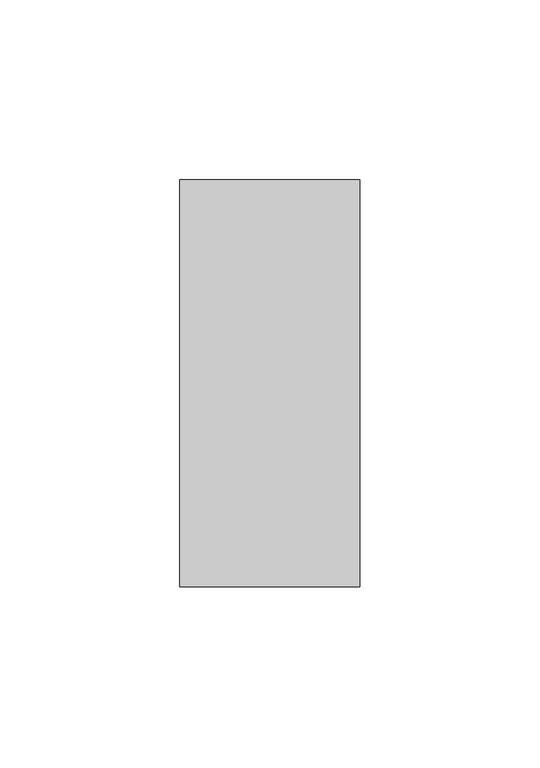
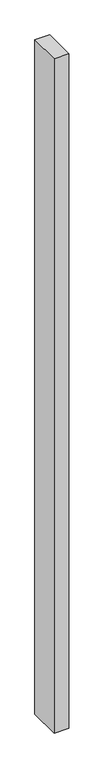
"""IFC4 building model written with IfcOpenShell, lengths in millimetres: member geometry."""

import ifcopenshell
import ifcopenshell.guid

model = None  # the IFC model being written
_history = None  # IfcOwnerHistory: only IFC2X3 demands one
_inside = {}  # id of a spatial element -> (the spatial element, [elements in it])
_under = {}  # id of a project, library or spatial element -> (it, [spatial elements below it])
_declared = {}  # id of a project -> (the project, [libraries it declares])
_typed = {}  # id of a type object -> (the type object, [elements of that type])
_made_of = {}  # id of a material, layer set ... -> (it, [elements and type objects made of it])


def new_model(schema):
    """Start an empty IFC model of exactly this schema.

    Asked for "IFC4X3", IfcOpenShell would pick the latest addendum, in which some entities
    have other attributes; the version numbers below select the first issue.
    IFC2X3 requires an IfcOwnerHistory on every rooted entity: one is made here for all.
    """
    global model, _history
    if schema == "IFC4X3":
        model = ifcopenshell.file(schema_version=(4, 3, 0, 0))
    else:
        model = ifcopenshell.file(schema=schema)
    _inside.clear()
    _under.clear()
    _declared.clear()
    _typed.clear()
    _made_of.clear()
    _history = None
    if model.schema == "IFC2X3":
        org = make("IfcOrganization", Name="unknown")
        user = make(
            "IfcPersonAndOrganization",
            ThePerson=make("IfcPerson", FamilyName="unknown"),
            TheOrganization=org,
        )
        app = make(
            "IfcApplication",
            ApplicationDeveloper=org,
            Version="unknown",
            ApplicationFullName="unknown",
            ApplicationIdentifier="unknown",
        )
        _history = make(
            "IfcOwnerHistory",
            OwningUser=user,
            OwningApplication=app,
            ChangeAction="ADDED",
            CreationDate=0,
        )
    return model


def make(cls, **values):
    """One entity of the class cls with the attributes given. An attribute that is None is left unset."""
    return model.create_entity(
        cls, **{name: value for name, value in values.items() if value is not None}
    )


def rooted(cls, **values):
    """An entity with a GlobalId (a new one), such as an element, a storey or a relation."""
    return make(cls, GlobalId=ifcopenshell.guid.new(), OwnerHistory=_history, **values)


def si_unit(unit_type, name, prefix=None):
    """IfcSIUnit, for example si_unit("LENGTHUNIT", "METRE", prefix="MILLI")."""
    return make("IfcSIUnit", UnitType=unit_type, Prefix=prefix, Name=name)


def assignment(units):
    """IfcUnitAssignment: the units of a project."""
    return None if units is None else make("IfcUnitAssignment", Units=units)


def point(xyz):
    """IfcCartesianPoint."""
    return None if xyz is None else make("IfcCartesianPoint", Coordinates=xyz)


def direction(xyz):
    """IfcDirection."""
    return None if xyz is None else make("IfcDirection", DirectionRatios=xyz)


def frame(location, z_axis=None, x_axis=None):
    """IfcAxis2Placement3D, a coordinate frame: its origin and axes. An axis left out is left unset."""
    return make(
        "IfcAxis2Placement3D",
        Location=point(location),
        Axis=direction(z_axis),
        RefDirection=direction(x_axis),
    )


def origin():
    """The frame at (0, 0, 0) with its axes left unset."""
    return frame((0.0, 0.0, 0.0))


def place(relative_to, where):
    """IfcLocalPlacement: puts the frame where relative to a parent placement (None: the world)."""
    return make(
        "IfcLocalPlacement", PlacementRelTo=relative_to, RelativePlacement=where
    )


def context(
    kind, dimensions, precision=None, world=None, true_north=None, identifier=None
):
    """IfcGeometricRepresentationContext, for example the 3D "Model" context."""
    return make(
        "IfcGeometricRepresentationContext",
        ContextIdentifier=identifier,
        ContextType=kind,
        CoordinateSpaceDimension=dimensions,
        Precision=precision,
        WorldCoordinateSystem=world,
        TrueNorth=true_north,
    )


def project(units=None, contexts=None):
    """IfcProject with its units and contexts."""
    return rooted(
        "IfcProject",
        Name="project",
        RepresentationContexts=contexts,
        UnitsInContext=assignment(units),
    )


def spatial(cls, under=None, at=None, **own):
    """A site, building, storey or space (cls), placed at a placement, below another one or the project."""
    s = rooted(cls, ObjectPlacement=at, **own)
    if under is not None:
        _under.setdefault(under.id(), (under, []))[1].append(s)
    return s


def polyline(points):
    """IfcPolyline through the points."""
    return make("IfcPolyline", Points=[point(p) for p in points])


def outline(outer, holes=None, kind="AREA"):
    """IfcArbitraryClosedProfileDef: a profile drawn as a closed curve; with holes, ...WithVoids."""
    if holes is None:
        return make("IfcArbitraryClosedProfileDef", ProfileType=kind, OuterCurve=outer)
    return make(
        "IfcArbitraryProfileDefWithVoids",
        ProfileType=kind,
        OuterCurve=outer,
        InnerCurves=holes,
    )


def extrude(swept, where, along, depth):
    """IfcExtrudedAreaSolid: the profile swept, set in the frame where, extruded along a direction by depth."""
    return make(
        "IfcExtrudedAreaSolid",
        SweptArea=swept,
        Position=where,
        ExtrudedDirection=direction(along),
        Depth=depth,
    )


def shape(context_of_items, identifier, shape_type, items):
    """IfcShapeRepresentation: the items that make up one representation, for example the "Body"."""
    return make(
        "IfcShapeRepresentation",
        ContextOfItems=context_of_items,
        RepresentationIdentifier=identifier,
        RepresentationType=shape_type,
        Items=items,
    )


def source(mapping_origin, context_of_items, identifier, shape_type, items):
    """IfcRepresentationMap: a shape defined once, which mapped items show again and again."""
    return make(
        "IfcRepresentationMap",
        MappingOrigin=mapping_origin,
        MappedRepresentation=shape(context_of_items, identifier, shape_type, items),
    )


def transform(
    local_origin,
    x_axis=None,
    y_axis=None,
    z_axis=None,
    scale=None,
    scale2=None,
    scale3=None,
    uniform=True,
):
    """IfcCartesianTransformationOperator3D, or its non-uniform kind. x_axis, y_axis, z_axis: its Axis1, 2, 3."""
    if uniform:
        return make(
            "IfcCartesianTransformationOperator3D",
            Axis1=direction(x_axis),
            Axis2=direction(y_axis),
            LocalOrigin=point(local_origin),
            Scale=scale,
            Axis3=direction(z_axis),
        )
    return make(
        "IfcCartesianTransformationOperator3DnonUniform",
        Axis1=direction(x_axis),
        Axis2=direction(y_axis),
        LocalOrigin=point(local_origin),
        Scale=scale,
        Axis3=direction(z_axis),
        Scale2=scale2,
        Scale3=scale3,
    )


def mapped(mapping_source, mapping_target):
    """IfcMappedItem: shows the shape of a source again, moved by a transform."""
    return make(
        "IfcMappedItem", MappingSource=mapping_source, MappingTarget=mapping_target
    )


def made_of(thing, what):
    """Note that an element or type object is made of a material, layer set ...; save() writes the relation."""
    if what is not None:
        _made_of.setdefault(what.id(), (what, []))[1].append(thing)
    return thing


def element(
    cls,
    number,
    at=None,
    inside=None,
    cuts=None,
    type_object=None,
    material=None,
    context=None,
    identifier="Body",
    shape_type=None,
    held_by="IfcProductDefinitionShape",
    body=None,
    shapes=None,
    **own,
):
    """One element of the class cls, such as IfcWall. Its Tag is "e" and its number.

    at: its placement. inside: the storey or other place that contains it. cuts: it is an
    opening in that element (IfcRelVoidsElement). A single representation is given by context,
    identifier, shape_type and body (its items); several are given by shapes. held_by: the class
    of the entity that holds the representations. save() writes the other relations.
    """
    e = rooted(cls, Tag="e%d" % number, ObjectPlacement=at, **own)
    if body is not None:
        shapes = [shape(context, identifier, shape_type, body)]
    if shapes is not None:
        e.Representation = make(held_by, Representations=shapes)
    if inside is not None:
        _inside.setdefault(inside.id(), (inside, []))[1].append(e)
    if cuts is not None:
        rooted(
            "IfcRelVoidsElement", RelatingBuildingElement=cuts, RelatedOpeningElement=e
        )
    if type_object is not None:
        _typed.setdefault(type_object.id(), (type_object, []))[1].append(e)
    return made_of(e, material)


def aggregate(whole, parts):
    """IfcRelAggregates: a whole, such as a stair, and the parts it consists of."""
    return rooted("IfcRelAggregates", RelatingObject=whole, RelatedObjects=parts)


def save(model, path):
    """Write the relations noted so far, then the file.

    IfcRelAggregates (storeys below a building ...), IfcRelContainedInSpatialStructure (elements
    in a storey), IfcRelDefinesByType, IfcRelAssociatesMaterial and IfcRelDeclares: one each for
    every whole, place, type object, material and project.
    """
    for whole, parts in _under.values():
        aggregate(whole, parts)
    for where, things in _inside.values():
        rooted(
            "IfcRelContainedInSpatialStructure",
            RelatedElements=things,
            RelatingStructure=where,
        )
    for kind, things in _typed.values():
        rooted("IfcRelDefinesByType", RelatedObjects=things, RelatingType=kind)
    for what, things in _made_of.values():
        rooted("IfcRelAssociatesMaterial", RelatedObjects=things, RelatingMaterial=what)
    for by, libraries in _declared.values():
        rooted("IfcRelDeclares", RelatingContext=by, RelatedDefinitions=libraries)
    model.write(path)


def member_2b77a535(model_context):
    return source(origin(), model_context, "Body", "SweptSolid", [
        extrude(outline(polyline([(0.0, -22.0), (-50.0, -22.0), (-50.0, 91.0), (0.0, 91.0), (0.0, -22.0)])), frame((0.0, 0.0, -2425.0), z_axis=(0.0, 0.0, 1.0), x_axis=(1.0, 0.0, 0.0)), (0.0, 0.0, 1.0), 2425.0),
    ])


if __name__ == "__main__":
    model = new_model("IFC4")
    model_context = context("Model", 3, world=origin())
    ifc_project = project(units=[si_unit("LENGTHUNIT", "METRE", prefix="MILLI")], contexts=[model_context])
    site = spatial("IfcSite", under=ifc_project)
    building = spatial("IfcBuilding", under=site)
    placement = place(None, origin())
    member_shape = member_2b77a535(model_context)
    element("IfcMember", 1, at=placement, inside=building, context=model_context, shape_type="MappedRepresentation", body=[
        mapped(member_shape, transform((0.0, 0.0, 0.0), x_axis=(1.0, 0.0, 0.0), y_axis=(0.0, 1.0, 0.0), z_axis=(0.0, 0.0, 1.0))),
    ])
    save(model, "model.ifc")
